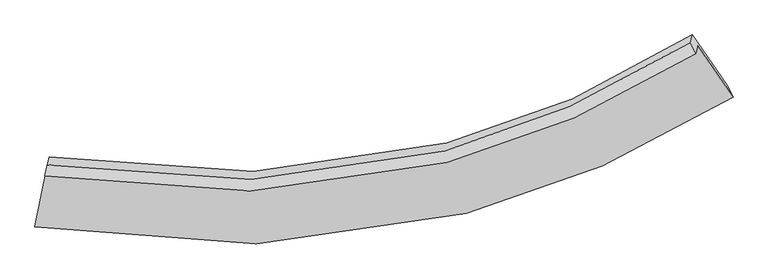
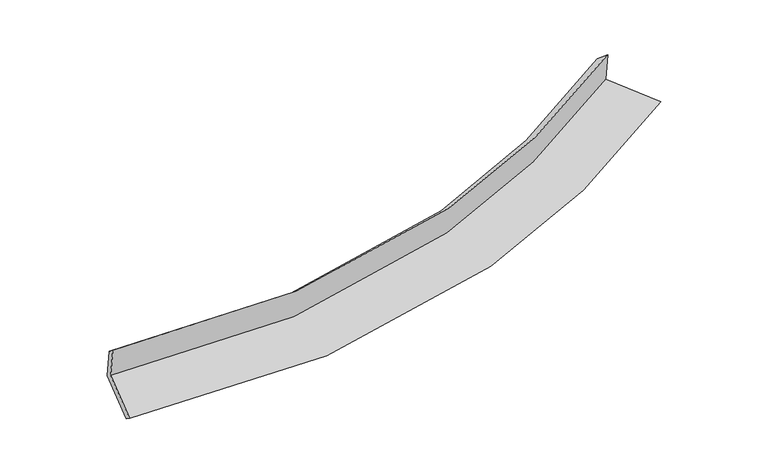
"""IFC4 building model written with IfcOpenShell, lengths in millimetres: proxy geometry."""

from ifc_helpers import new_model, si_unit, frame, origin, place, context, project, spatial, source, transform, mapped, element, save
from ifc_brep_helpers import plane_surface, spline_curve, spline_surface, advanced_brep


def generic_models_f4d01093(model_context):
    return source(origin(), model_context, "Body", "AdvancedBrep", [
        advanced_brep(
        [(-3829.226865, -2055.7095658, 1988.7042947), (-3806.1899603, -1969.0369471, 1592.1692061), (3181.9207113, -655.5732292, 2288.7667248), (3159.4347413, -740.1730457, 2675.8185554), (-3802.9813621, -1933.3151872, 1893.1405787), (3101.1479228, -618.5394886, 2570.5344037), (-3780.6207703, -1849.1870858, 1508.2468872), (3122.874843, -536.7954739, 2196.5481251), (-3907.9983912, -2483.6987284, 1362.1584996), (3492.5142752, -1073.361911, 2100.742556), (-3932.9400964, -2600.4228727, 1446.8004758), (3559.7467597, -1204.0233106, 2190.8392949)],
        [
            (0, 1),
            (1, 2, spline_curve(3, [(-3806.1899603, -1969.0369471, 1592.1692061), (-2291.903956427, -2233.188311993, 1633.718067548), (-853.741430166, -2185.031761183, 1732.790991046), (1434.722964967, -1579.388261855, 1995.901382279), (2325.930662807, -1189.723572996, 2129.02763154), (3181.9207113, -655.5732292, 2288.7667248)], [4, 2, 4], [0.0, 14.20905867249762, 23.873709709147448])),
            (2, 3),
            (3, 0, spline_curve(3, [(3159.4347413, -740.1730457, 2675.8185554), (2303.360281745, -1274.64097154, 2517.532428381), (1412.072248885, -1664.607909227, 2385.788996434), (-876.580524938, -2270.96015215, 2125.921169856), (-2314.846360467, -2319.505387838, 2028.626515426), (-3829.226865, -2055.7095658, 1988.7042947)], [4, 2, 4], [0.0, 9.664651036649829, 23.873709709147448])),
            (4, 0),
            (3, 5),
            (5, 4, spline_curve(3, [(3101.1479228, -618.5394886, 2570.5344037), (2257.771960849, -1150.914945026, 2411.975016328), (1378.659557786, -1539.594933852, 2280.599949483), (-881.208456624, -2144.757945636, 2023.22701133), (-2303.472481839, -2194.336523663, 1928.804136412), (-3802.9813621, -1933.3151872, 1893.1405787)], [4, 2, 4], [0.0, 9.609425331899281, 23.73729066631828])),
            (6, 4),
            (5, 7),
            (7, 6, spline_curve(3, [(3122.874843, -536.7954739, 2196.5481251), (2279.97857868, -1067.366146248, 2029.731687077), (1401.186295765, -1454.841734181, 1892.8463772), (-858.285143308, -2058.512696321, 1628.647175513), (-2280.658065027, -2108.500979198, 1536.098739839), (-3780.6207703, -1849.1870858, 1508.2468872)], [4, 2, 4], [0.0, 9.554175684303724, 23.600812479653587])),
            (8, 6),
            (7, 9),
            (9, 8, spline_curve(3, [(3492.5142752, -1073.361911, 2100.742556), (2591.671590466, -1645.872535597, 1921.392670434), (1651.240193554, -2063.660276724, 1774.300929565), (-769.614477338, -2713.485503995, 1490.637924206), (-2296.020635543, -2765.81003525, 1391.534980147), (-3907.9983912, -2483.6987284, 1362.1584996)], [4, 2, 4], [0.0, 9.90035822128823, 24.455955760358023])),
            (10, 8),
            (9, 11),
            (11, 10, spline_curve(3, [(3559.7467597, -1204.0233106, 2190.8392949), (2642.854561246, -1778.01341581, 2018.854088874), (1687.835633969, -2195.920350658, 1875.847647893), (-765.441882414, -2842.679819758, 1594.175436411), (-2307.985240505, -2890.239404947, 1489.168938136), (-3932.9400964, -2600.4228727, 1446.8004758)], [4, 2, 4], [0.0, 10.304335449928589, 25.453864018927597])),
            (1, 10),
            (11, 2),
        ],
        [
            spline_surface(3, 3, [[(-3829.226865, -2055.7095658, 1988.7042947), (-2314.846360633, -2319.505387733, 2028.626515208), (-876.580524852, -2270.960152152, 2125.921170074), (1412.072248827, -1664.607909225, 2385.788996286), (2303.360281864, -1274.640971433, 2517.532428297), (3159.4347413, -740.1730457, 2675.8185554)], [(-3821.54789679, -2026.818692911, 1856.525931828), (-2307.198892592, -2290.733029123, 1896.990365908), (-868.967493284, -2242.317355186, 1994.877777039), (1419.622487581, -1636.201360044, 2255.826458288), (2310.883742131, -1246.335171965, 2388.030829369), (3166.930064635, -711.97310688, 2546.801278538)], [(-3813.86892851, -1997.927819989, 1724.347568972), (-2299.551424481, -2261.96067048, 1765.354216623), (-861.354461795, -2213.674558295, 1863.834384028), (1427.172726255, -1607.794810938, 2125.863920313), (2318.407202395, -1218.029372456, 2258.529230429), (3174.425387965, -683.77316802, 2417.784001662)], [(-3806.1899603, -1969.0369471, 1592.1692061), (-2291.90395644, -2233.18831187, 1633.718067323), (-853.741430226, -2185.031761328, 1732.790990994), (1434.722965009, -1579.388261756, 1995.901382315), (2325.930662663, -1189.723572988, 2129.027631501), (3181.9207113, -655.5732292, 2288.7667248)]], [4, 4], [4, 2, 4], [0.0, 1.3189559603821885], [0.0, 14.20905867249762, 23.873709709147448]),
            spline_surface(3, 3, [[(-3802.9813621, -1933.3151872, 1893.1405787), (-2303.472481622, -2194.336523431, 1928.804136333), (-881.208456586, -2144.757945861, 2023.227011175), (1378.65955776, -1539.594933699, 2280.599949588), (2257.771960997, -1150.914945106, 2411.975016443), (3101.1479228, -618.5394886, 2570.5344037)], [(-3811.729863051, -1974.113313381, 1924.995150687), (-2307.26377461, -2236.05947818, 1962.078262611), (-879.665812681, -2186.825347962, 2057.458397483), (1389.797121443, -1581.265925545, 2315.662965162), (2272.96806793, -1192.156953885, 2447.160820408), (3120.576862277, -659.084007636, 2605.629120947)], [(-3820.478364049, -2014.911439619, 1956.849722713), (-2311.055067645, -2277.782432985, 1995.35238893), (-878.123168757, -2228.892750052, 2091.689783766), (1400.934685144, -1622.936917379, 2350.725980712), (2288.164174931, -1233.398962654, 2482.346624332), (3140.005801823, -699.628526664, 2640.723838153)], [(-3829.226865, -2055.7095658, 1988.7042947), (-2314.846360633, -2319.505387733, 2028.626515208), (-876.580524852, -2270.960152152, 2125.921170074), (1412.072248827, -1664.607909225, 2385.788996286), (2303.360281864, -1274.640971433, 2517.532428297), (3159.4347413, -740.1730457, 2675.8185554)]], [4, 4], [4, 2, 4], [0.0, 0.5357889402347659], [0.0, 14.127865334418999, 23.73729066631828]),
            spline_surface(3, 3, [[(-3780.6207703, -1849.1870858, 1508.2468872), (-2280.658064898, -2108.500979331, 1536.098739673), (-858.285143373, -2058.512696479, 1628.647175725), (1401.186295809, -1454.841734074, 1892.846377055), (2279.978578703, -1067.366146312, 2029.731686978), (3122.874843, -536.7954739, 2196.5481251)], [(-3788.074300911, -1877.229786274, 1636.544784373), (-2288.262870484, -2137.112827371, 1667.000538566), (-865.926247777, -2087.261112939, 1760.173787519), (1393.677383126, -1483.092800615, 2022.097567877), (2272.576372796, -1095.215745908, 2157.146130128), (3115.632536262, -564.043478798, 2321.210217962)], [(-3795.527831489, -1905.272486726, 1764.842681527), (-2295.867676036, -2165.72467539, 1797.90233744), (-873.567352182, -2116.009529401, 1891.700399381), (1386.168470443, -1511.343867158, 2151.348758766), (2265.174166904, -1123.06534551, 2284.560573293), (3108.390229538, -591.291483702, 2445.872310838)], [(-3802.9813621, -1933.3151872, 1893.1405787), (-2303.472481622, -2194.336523431, 1928.804136333), (-881.208456586, -2144.757945861, 2023.227011175), (1378.65955776, -1539.594933699, 2280.599949588), (2257.771960997, -1150.914945106, 2411.975016443), (3101.1479228, -618.5394886, 2570.5344037)]], [4, 4], [4, 2, 4], [0.0, 1.3186065425755504], [0.0, 14.046636795349864, 23.600812479653587]),
            spline_surface(3, 3, [[(-3907.9983912, -2483.6987284, 1362.1584996), (-2296.020635735, -2765.810035086, 1391.534980147), (-769.614477316, -2713.48550392, 1490.637924432), (1651.240193539, -2063.660276775, 1774.300929411), (2591.671590576, -1645.872535489, 1921.392670588), (3492.5142752, -1073.361911, 2100.742556)], [(-3865.539184234, -2272.194847532, 1410.854628818), (-2290.89977879, -2546.707016499, 1439.722900007), (-799.171366006, -2495.161234798, 1536.641008197), (1567.888894291, -1860.720762566, 1813.816078627), (2487.773919953, -1453.037072426, 1957.505676063), (3369.301131134, -894.506431963, 2132.677745711)], [(-3823.079977266, -2060.690966668, 1459.550757982), (-2285.778921842, -2327.603997917, 1487.910819814), (-828.728254683, -2276.836965601, 1582.64409196), (1484.537595056, -1657.781248282, 1853.33122784), (2383.876249327, -1260.201609374, 1993.618681504), (3246.087987066, -715.650952937, 2164.612935389)], [(-3780.6207703, -1849.1870858, 1508.2468872), (-2280.658064898, -2108.500979331, 1536.098739673), (-858.285143373, -2058.512696479, 1628.647175725), (1401.186295809, -1454.841734074, 1892.846377055), (2279.978578703, -1067.366146312, 2029.731686978), (3122.874843, -536.7954739, 2196.5481251)]], [4, 4], [4, 2, 4], [0.0, 2.187056932671745], [0.0, 14.555597539069794, 24.455955760358023]),
            spline_surface(3, 3, [[(-3932.9400964, -2600.4228727, 1446.8004758), (-2307.985240611, -2890.239405069, 1489.168937891), (-765.44188256, -2842.679819526, 1594.175436604), (1687.835634069, -2195.920350816, 1875.847647762), (2642.854561355, -1778.013415658, 2018.854088734), (3559.7467597, -1204.0233106, 2190.8392949)], [(-3924.626194643, -2561.514824616, 1418.586483731), (-2303.997038962, -2848.762948424, 1456.624285308), (-766.832747489, -2799.615047635, 1559.662932542), (1675.637153882, -2151.833659446, 1841.99874164), (2625.793571109, -1733.96645561, 1986.366949345), (3537.335931547, -1160.469510742, 2160.807048593)], [(-3916.312292957, -2522.606776484, 1390.372491669), (-2300.008837384, -2807.286491731, 1424.079632731), (-768.223612387, -2756.550275811, 1525.150428494), (1663.438673726, -2107.746968144, 1808.149835533), (2608.732580822, -1689.919495537, 1953.879809977), (3514.925103353, -1116.915710858, 2130.774802307)], [(-3907.9983912, -2483.6987284, 1362.1584996), (-2296.020635735, -2765.810035086, 1391.534980147), (-769.614477316, -2713.48550392, 1490.637924432), (1651.240193539, -2063.660276775, 1774.300929411), (2591.671590576, -1645.872535489, 1921.392670588), (3492.5142752, -1073.361911, 2100.742556)]], [4, 4], [4, 2, 4], [0.0, 0.5447453565953758], [0.0, 15.149528568999008, 25.453864018927597]),
            spline_surface(3, 3, [[(-3806.1899603, -1969.0369471, 1592.1692061), (-2291.90395644, -2233.18831187, 1633.718067323), (-853.741430226, -2185.031761328, 1732.790990994), (1434.722965009, -1579.388261756, 1995.901382315), (2325.930662663, -1189.723572988, 2129.027631501), (3181.9207113, -655.5732292, 2288.7667248)], [(-3848.440005671, -2179.498922286, 1543.712962664), (-2297.264384501, -2452.205342923, 1585.535024176), (-824.308247677, -2404.247780747, 1686.585806223), (1519.093854689, -1784.898958129, 1955.883470823), (2431.571962238, -1385.820187192, 2092.303117228), (3307.862727445, -838.389922981, 2256.12424815)], [(-3890.690051029, -2389.960897514, 1495.256719236), (-2302.62481255, -2671.222374017, 1537.351981038), (-794.875065109, -2623.463800107, 1640.380621375), (1603.464744388, -1990.409654443, 1915.865559253), (2537.213261779, -1581.916801454, 2055.578603007), (3433.804743555, -1021.206616819, 2223.48177155)], [(-3932.9400964, -2600.4228727, 1446.8004758), (-2307.985240611, -2890.239405069, 1489.168937891), (-765.44188256, -2842.679819526, 1594.175436604), (1687.835634069, -2195.920350816, 1875.847647762), (2642.854561355, -1778.013415658, 2018.854088734), (3559.7467597, -1204.0233106, 2190.8392949)]], [4, 4], [4, 2, 4], [0.0, 2.2015145195099466], [0.0, 14.721835064987951, 24.73526394874763]),
            plane_surface(frame((3269.6065422, -804.7444098, 2337.2082766), z_axis=(0.8256872194955067, 0.5392054539321802, 0.1658254926468507), x_axis=(-0.5612751229528563, 0.8147436845994046, 0.14547496265557894))),
            plane_surface(frame((-3843.3262409, -2148.5617312, 1631.8699903), z_axis=(-0.9797593665702031, 0.19973911018331308, -0.01326165453979962), x_axis=(-0.05666437960511602, -0.21319054119537723, 0.9753660549910427))),
        ],
        [
            (0, [[1, 2, 3, 4]]),
            (1, [[5, -4, 6, 7]]),
            (2, [[8, -7, 9, 10]]),
            (3, [[11, -10, 12, 13]]),
            (4, [[14, -13, 15, 16]]),
            (5, [[17, -16, 18, -2]]),
            (6, [[-12, -9, -6, -3, -18, -15]]),
            (7, [[-1, -5, -8, -11, -14, -17]]),
        ],
    ),
    ])


if __name__ == "__main__":
    model = new_model("IFC4")
    model_context = context("Model", 3, world=origin())
    ifc_project = project(units=[si_unit("LENGTHUNIT", "METRE", prefix="MILLI")], contexts=[model_context])
    site = spatial("IfcSite", under=ifc_project)
    building = spatial("IfcBuilding", under=site)
    placement = place(None, origin())
    generic_models_shape = generic_models_f4d01093(model_context)
    element("IfcBuildingElementProxy", 1, Name="Generic Models", at=placement, inside=building, context=model_context, shape_type="MappedRepresentation", body=[
        mapped(generic_models_shape, transform((0.0, 0.0, 0.0), x_axis=(1.0, 0.0, 0.0), y_axis=(0.0, 1.0, 0.0), z_axis=(0.0, 0.0, 1.0))),
    ])
    save(model, "model.ifc")
